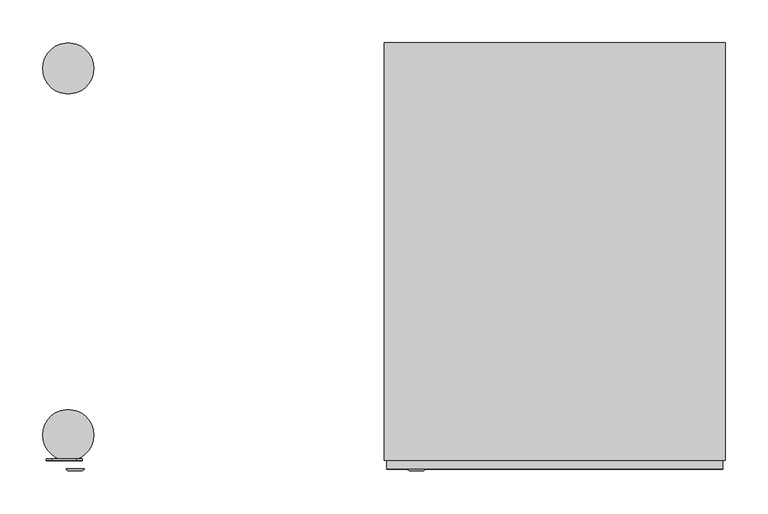
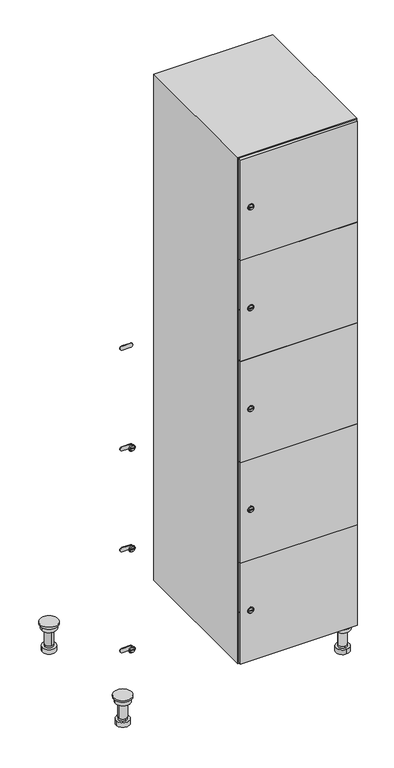
"""IFC4 building model written with IfcOpenShell, lengths in millimetres: furniture geometry."""

from ifc_helpers import new_model, si_unit, point, frame, frame_2d, origin, place, context, project, spatial, polyline, circle_curve, trimmed, segment, composite_curve, outline, extrude, faceted_brep, source, transform, mapped, element, save
from ifc_brep_helpers import plane_surface, cylinder_surface, revolved_surface, advanced_brep


def furniture_e8f56e11(model_context):
    return source(origin(), model_context, "Body", "SolidModel", [
        advanced_brep(
        [(570.0, -201.0, 22.0), (570.0, -201.5, 16.0), (570.0, -228.5, 16.0), (570.0, -229.0, 22.0), (556.0, -215.0, 22.0), (584.0, -215.0, 22.0), (570.0, -192.5, 16.0), (570.0, -237.5, 16.0), (570.0, -192.5, 0.0), (570.0, -237.5, 0.0), (584.0, -215.0, 78.0), (556.0, -215.0, 78.0), (595.0, -215.0, 78.0), (545.0, -215.0, 78.0), (600.0, -215.0, 94.0), (540.0, -215.0, 94.0), (545.0, -215.0, 94.0), (595.0, -215.0, 94.0), (600.0, -215.0, 100.0), (540.0, -215.0, 100.0)],
        [
            (0, 1),
            (1, 2, circle_curve(frame((570.0, -215.0, 16.0), z_axis=(0.0, 0.0, 1.0), x_axis=(0.0, -1.0, 0.0)), 13.5)),
            (2, 3),
            (3, 4, circle_curve(frame((570.0, -215.0, 22.0), z_axis=(0.0, 0.0, -1.0), x_axis=(0.0, -1.0, 0.0)), 14.0)),
            (4, 0, circle_curve(frame((570.0, -215.0, 22.0), z_axis=(0.0, 0.0, -1.0), x_axis=(0.0, -1.0, 0.0)), 14.0)),
            (0, 5, circle_curve(frame((570.0, -215.0, 22.0), z_axis=(0.0, 0.0, -1.0), x_axis=(0.0, 1.0, 0.0)), 14.0)),
            (5, 3, circle_curve(frame((570.0, -215.0, 22.0), z_axis=(0.0, 0.0, -1.0), x_axis=(0.0, 1.0, 0.0)), 14.0)),
            (2, 1, circle_curve(frame((570.0, -215.0, 16.0), z_axis=(0.0, 0.0, 1.0), x_axis=(0.0, 1.0, 0.0)), 13.5)),
            (6, 7, circle_curve(frame((570.0, -215.0, 16.0), z_axis=(0.0, 0.0, 1.0), x_axis=(0.0, -1.0, 0.0)), 22.5)),
            (7, 6, circle_curve(frame((570.0, -215.0, 16.0), z_axis=(0.0, 0.0, 1.0), x_axis=(0.0, -1.0, 0.0)), 22.5)),
            (8, 9, circle_curve(frame((570.0, -215.0, 0.0), z_axis=(0.0, 0.0, -1.0), x_axis=(0.0, -1.0, 0.0)), 22.5)),
            (9, 8, circle_curve(frame((570.0, -215.0, 0.0), z_axis=(0.0, 0.0, -1.0), x_axis=(0.0, -1.0, 0.0)), 22.5)),
            (6, 8),
            (9, 7),
            (5, 10),
            (10, 11, circle_curve(frame((570.0, -215.0, 78.0), z_axis=(0.0, 0.0, -1.0), x_axis=(-1.0, 0.0, 0.0)), 14.0)),
            (11, 4),
            (11, 10, circle_curve(frame((570.0, -215.0, 78.0), z_axis=(0.0, 0.0, -1.0), x_axis=(-1.0, 0.0, 0.0)), 14.0)),
            (12, 13, circle_curve(frame((570.0, -215.0, 78.0), z_axis=(0.0, 0.0, -1.0), x_axis=(-1.0, 0.0, 0.0)), 25.0)),
            (13, 12, circle_curve(frame((570.0, -215.0, 78.0), z_axis=(0.0, 0.0, -1.0), x_axis=(-1.0, 0.0, 0.0)), 25.0)),
            (14, 15, circle_curve(frame((570.0, -215.0, 94.0), z_axis=(0.0, 0.0, -1.0), x_axis=(-1.0, 0.0, 0.0)), 30.0)),
            (15, 14, circle_curve(frame((570.0, -215.0, 94.0), z_axis=(0.0, 0.0, -1.0), x_axis=(-1.0, 0.0, 0.0)), 30.0)),
            (16, 17, circle_curve(frame((570.0, -215.0, 94.0), z_axis=(0.0, 0.0, 1.0), x_axis=(-1.0, 0.0, 0.0)), 25.0)),
            (17, 16, circle_curve(frame((570.0, -215.0, 94.0), z_axis=(0.0, 0.0, 1.0), x_axis=(-1.0, 0.0, 0.0)), 25.0)),
            (18, 19, circle_curve(frame((570.0, -215.0, 100.0), z_axis=(0.0, 0.0, 1.0), x_axis=(-1.0, 0.0, 0.0)), 30.0)),
            (19, 18, circle_curve(frame((570.0, -215.0, 100.0), z_axis=(0.0, 0.0, 1.0), x_axis=(-1.0, 0.0, 0.0)), 30.0)),
            (14, 18),
            (19, 15),
            (12, 17),
            (16, 13),
        ],
        [
            revolved_surface(polyline([(570.0, -201.5, 16.0), (570.0, -201.0, 22.0)]), (570.0, -215.0, -146.0), (0.0, 0.0, 1.0)),
            plane_surface(frame((570.0, 0.0, 16.0), z_axis=(0.0, 0.0, 1.0), x_axis=(0.0, -1.0, 0.0))),
            plane_surface(frame((570.0, 0.0, 0.0), z_axis=(0.0, 0.0, -1.0), x_axis=(0.0, -1.0, 0.0))),
            cylinder_surface(frame((570.0, -215.0, 16.0), z_axis=(0.0, 0.0, 1.0), x_axis=(0.0, -1.0, 0.0)), 22.5),
            cylinder_surface(frame((570.0, -215.0, 22.0), z_axis=(0.0, 0.0, -1.0), x_axis=(-1.0, 0.0, 0.0)), 14.0),
            plane_surface(frame((570.0, 0.0, 78.0), z_axis=(0.0, 0.0, -1.0), x_axis=(0.0, -1.0, 0.0))),
            plane_surface(frame((570.0, 0.0, 94.0), z_axis=(0.0, 0.0, -1.0), x_axis=(0.0, -1.0, 0.0))),
            plane_surface(frame((570.0, 0.0, 100.0), z_axis=(0.0, 0.0, 1.0), x_axis=(0.0, -1.0, 0.0))),
            cylinder_surface(frame((570.0, -215.0, 94.0), z_axis=(0.0, 0.0, -1.0), x_axis=(-1.0, 0.0, 0.0)), 30.0),
            cylinder_surface(frame((570.0, -215.0, 78.0), z_axis=(0.0, 0.0, -1.0), x_axis=(-1.0, 0.0, 0.0)), 25.0),
        ],
        [
            (0, [[1, 2, 3, 4, 5]]),
            (0, [[-1, 6, 7, -3, 8]]),
            (1, [[9, 10], [-2, -8]]),
            (2, [[11, 12]]),
            (3, [[-9, 13, -12, 14]]),
            (3, [[-10, -14, -11, -13]]),
            (4, [[15, 16, 17, -4, -7]]),
            (4, [[-15, -6, -5, -17, 18]]),
            (5, [[19, 20], [-16, -18]]),
            (6, [[21, 22], [23, 24]]),
            (7, [[25, 26]]),
            (8, [[-21, 27, -26, 28]]),
            (8, [[-22, -28, -25, -27]]),
            (9, [[-19, 29, -23, 30]]),
            (9, [[-20, -30, -24, -29]]),
        ],
    ),
        advanced_brep(
        [(-170.0, -201.0, 22.0), (-170.0, -201.5, 16.0), (-170.0, -228.5, 16.0), (-170.0, -229.0, 22.0), (-184.0, -215.0, 22.0), (-156.0, -215.0, 22.0), (-147.5, -215.0, 0.0), (-192.5, -215.0, 0.0), (-147.5, -215.0, 16.0), (-192.5, -215.0, 16.0), (-156.0, -215.0, 78.0), (-184.0, -215.0, 78.0), (-145.0, -215.0, 78.0), (-195.0, -215.0, 78.0), (-140.0, -215.0, 94.0), (-200.0, -215.0, 94.0), (-195.0, -215.0, 94.0), (-145.0, -215.0, 94.0), (-140.0, -215.0, 100.0), (-200.0, -215.0, 100.0)],
        [
            (0, 1),
            (1, 2, circle_curve(frame((-170.0, -215.0, 16.0), z_axis=(0.0, 0.0, 1.0), x_axis=(0.0, -1.0, 0.0)), 13.5)),
            (2, 3),
            (3, 4, circle_curve(frame((-170.0, -215.0, 22.0), z_axis=(0.0, 0.0, -1.0), x_axis=(0.0, -1.0, 0.0)), 14.0)),
            (4, 0, circle_curve(frame((-170.0, -215.0, 22.0), z_axis=(0.0, 0.0, -1.0), x_axis=(0.0, -1.0, 0.0)), 14.0)),
            (0, 5, circle_curve(frame((-170.0, -215.0, 22.0), z_axis=(0.0, 0.0, -1.0), x_axis=(0.0, 1.0, 0.0)), 14.0)),
            (5, 3, circle_curve(frame((-170.0, -215.0, 22.0), z_axis=(0.0, 0.0, -1.0), x_axis=(0.0, 1.0, 0.0)), 14.0)),
            (2, 1, circle_curve(frame((-170.0, -215.0, 16.0), z_axis=(0.0, 0.0, 1.0), x_axis=(0.0, 1.0, 0.0)), 13.5)),
            (6, 7, circle_curve(frame((-170.0, -215.0, 0.0), z_axis=(0.0, 0.0, -1.0), x_axis=(-1.0, 0.0, 0.0)), 22.5)),
            (7, 6, circle_curve(frame((-170.0, -215.0, 0.0), z_axis=(0.0, 0.0, -1.0), x_axis=(-1.0, 0.0, 0.0)), 22.5)),
            (8, 9, circle_curve(frame((-170.0, -215.0, 16.0), z_axis=(0.0, 0.0, 1.0), x_axis=(-1.0, 0.0, 0.0)), 22.5)),
            (9, 8, circle_curve(frame((-170.0, -215.0, 16.0), z_axis=(0.0, 0.0, 1.0), x_axis=(-1.0, 0.0, 0.0)), 22.5)),
            (6, 8),
            (9, 7),
            (5, 10),
            (10, 11, circle_curve(frame((-170.0, -215.0, 78.0), z_axis=(0.0, 0.0, -1.0), x_axis=(-1.0, 0.0, 0.0)), 14.0)),
            (11, 4),
            (11, 10, circle_curve(frame((-170.0, -215.0, 78.0), z_axis=(0.0, 0.0, -1.0), x_axis=(-1.0, 0.0, 0.0)), 14.0)),
            (12, 13, circle_curve(frame((-170.0, -215.0, 78.0), z_axis=(0.0, 0.0, -1.0), x_axis=(-1.0, 0.0, 0.0)), 25.0)),
            (13, 12, circle_curve(frame((-170.0, -215.0, 78.0), z_axis=(0.0, 0.0, -1.0), x_axis=(-1.0, 0.0, 0.0)), 25.0)),
            (14, 15, circle_curve(frame((-170.0, -215.0, 94.0), z_axis=(0.0, 0.0, -1.0), x_axis=(-1.0, 0.0, 0.0)), 30.0)),
            (15, 14, circle_curve(frame((-170.0, -215.0, 94.0), z_axis=(0.0, 0.0, -1.0), x_axis=(-1.0, 0.0, 0.0)), 30.0)),
            (16, 17, circle_curve(frame((-170.0, -215.0, 94.0), z_axis=(0.0, 0.0, 1.0), x_axis=(-1.0, 0.0, 0.0)), 25.0)),
            (17, 16, circle_curve(frame((-170.0, -215.0, 94.0), z_axis=(0.0, 0.0, 1.0), x_axis=(-1.0, 0.0, 0.0)), 25.0)),
            (18, 19, circle_curve(frame((-170.0, -215.0, 100.0), z_axis=(0.0, 0.0, 1.0), x_axis=(-1.0, 0.0, 0.0)), 30.0)),
            (19, 18, circle_curve(frame((-170.0, -215.0, 100.0), z_axis=(0.0, 0.0, 1.0), x_axis=(-1.0, 0.0, 0.0)), 30.0)),
            (14, 18),
            (19, 15),
            (12, 17),
            (16, 13),
        ],
        [
            revolved_surface(polyline([(-170.0, -201.5, 16.0), (-170.0, -201.0, 22.0)]), (-170.0, -215.0, -146.0), (0.0, 0.0, 1.0)),
            plane_surface(frame((-170.0, 0.0, 0.0), z_axis=(0.0, 0.0, -1.0), x_axis=(0.0, -1.0, 0.0))),
            plane_surface(frame((-170.0, 0.0, 16.0), z_axis=(0.0, 0.0, 1.0), x_axis=(0.0, -1.0, 0.0))),
            cylinder_surface(frame((-170.0, -215.0, 0.0), z_axis=(0.0, 0.0, -1.0), x_axis=(-1.0, 0.0, 0.0)), 22.5),
            cylinder_surface(frame((-170.0, -215.0, 22.0), z_axis=(0.0, 0.0, -1.0), x_axis=(-1.0, 0.0, 0.0)), 14.0),
            plane_surface(frame((-170.0, 0.0, 78.0), z_axis=(0.0, 0.0, -1.0), x_axis=(0.0, -1.0, 0.0))),
            plane_surface(frame((-170.0, 0.0, 94.0), z_axis=(0.0, 0.0, -1.0), x_axis=(0.0, -1.0, 0.0))),
            plane_surface(frame((-170.0, 0.0, 100.0), z_axis=(0.0, 0.0, 1.0), x_axis=(0.0, -1.0, 0.0))),
            cylinder_surface(frame((-170.0, -215.0, 94.0), z_axis=(0.0, 0.0, -1.0), x_axis=(-1.0, 0.0, 0.0)), 30.0),
            cylinder_surface(frame((-170.0, -215.0, 78.0), z_axis=(0.0, 0.0, -1.0), x_axis=(-1.0, 0.0, 0.0)), 25.0),
        ],
        [
            (0, [[1, 2, 3, 4, 5]]),
            (0, [[-1, 6, 7, -3, 8]]),
            (1, [[9, 10]]),
            (2, [[11, 12], [-2, -8]]),
            (3, [[-9, 13, -12, 14]]),
            (3, [[-10, -14, -11, -13]]),
            (4, [[15, 16, 17, -4, -7]]),
            (4, [[-15, -6, -5, -17, 18]]),
            (5, [[19, 20], [-16, -18]]),
            (6, [[21, 22], [23, 24]]),
            (7, [[25, 26]]),
            (8, [[-21, 27, -26, 28]]),
            (8, [[-22, -28, -25, -27]]),
            (9, [[-19, 29, -23, 30]]),
            (9, [[-20, -30, -24, -29]]),
        ],
    ),
        advanced_brep(
        [(583.5, 215.0, 16.0), (584.0, 215.0, 22.0), (556.0, 215.0, 22.0), (556.5, 215.0, 16.0), (592.5, 215.0, 0.0), (547.5, 215.0, 0.0), (592.5, 215.0, 16.0), (547.5, 215.0, 16.0), (584.0, 215.0, 78.0), (556.0, 215.0, 78.0), (595.0, 215.0, 78.0), (545.0, 215.0, 78.0), (600.0, 215.0, 94.0), (540.0, 215.0, 94.0), (545.0, 215.0, 94.0), (595.0, 215.0, 94.0), (600.0, 215.0, 100.0), (540.0, 215.0, 100.0)],
        [
            (0, 1),
            (1, 2, circle_curve(frame((570.0, 215.0, 22.0), z_axis=(0.0, 0.0, -1.0), x_axis=(-1.0, 0.0, 0.0)), 14.0)),
            (2, 3),
            (3, 0, circle_curve(frame((570.0, 215.0, 16.0), z_axis=(0.0, 0.0, 1.0), x_axis=(-1.0, 0.0, 0.0)), 13.5)),
            (0, 3, circle_curve(frame((570.0, 215.0, 16.0), z_axis=(0.0, 0.0, 1.0), x_axis=(1.0, 0.0, 0.0)), 13.5)),
            (2, 1, circle_curve(frame((570.0, 215.0, 22.0), z_axis=(0.0, 0.0, -1.0), x_axis=(1.0, 0.0, 0.0)), 14.0)),
            (4, 5, circle_curve(frame((570.0, 215.0, 0.0), z_axis=(0.0, 0.0, -1.0), x_axis=(-1.0, 0.0, 0.0)), 22.5)),
            (5, 4, circle_curve(frame((570.0, 215.0, 0.0), z_axis=(0.0, 0.0, -1.0), x_axis=(-1.0, 0.0, 0.0)), 22.5)),
            (6, 7, circle_curve(frame((570.0, 215.0, 16.0), z_axis=(0.0, 0.0, 1.0), x_axis=(-1.0, 0.0, 0.0)), 22.5)),
            (7, 6, circle_curve(frame((570.0, 215.0, 16.0), z_axis=(0.0, 0.0, 1.0), x_axis=(-1.0, 0.0, 0.0)), 22.5)),
            (4, 6),
            (7, 5),
            (1, 8),
            (8, 9, circle_curve(frame((570.0, 215.0, 78.0), z_axis=(0.0, 0.0, -1.0), x_axis=(-1.0, 0.0, 0.0)), 14.0)),
            (9, 2),
            (9, 8, circle_curve(frame((570.0, 215.0, 78.0), z_axis=(0.0, 0.0, -1.0), x_axis=(-1.0, 0.0, 0.0)), 14.0)),
            (10, 11, circle_curve(frame((570.0, 215.0, 78.0), z_axis=(0.0, 0.0, -1.0), x_axis=(-1.0, 0.0, 0.0)), 25.0)),
            (11, 10, circle_curve(frame((570.0, 215.0, 78.0), z_axis=(0.0, 0.0, -1.0), x_axis=(-1.0, 0.0, 0.0)), 25.0)),
            (12, 13, circle_curve(frame((570.0, 215.0, 94.0), z_axis=(0.0, 0.0, -1.0), x_axis=(-1.0, 0.0, 0.0)), 30.0)),
            (13, 12, circle_curve(frame((570.0, 215.0, 94.0), z_axis=(0.0, 0.0, -1.0), x_axis=(-1.0, 0.0, 0.0)), 30.0)),
            (14, 15, circle_curve(frame((570.0, 215.0, 94.0), z_axis=(0.0, 0.0, 1.0), x_axis=(-1.0, 0.0, 0.0)), 25.0)),
            (15, 14, circle_curve(frame((570.0, 215.0, 94.0), z_axis=(0.0, 0.0, 1.0), x_axis=(-1.0, 0.0, 0.0)), 25.0)),
            (16, 17, circle_curve(frame((570.0, 215.0, 100.0), z_axis=(0.0, 0.0, 1.0), x_axis=(-1.0, 0.0, 0.0)), 30.0)),
            (17, 16, circle_curve(frame((570.0, 215.0, 100.0), z_axis=(0.0, 0.0, 1.0), x_axis=(-1.0, 0.0, 0.0)), 30.0)),
            (12, 16),
            (17, 13),
            (10, 15),
            (14, 11),
        ],
        [
            revolved_surface(polyline([(583.5, 215.0, 16.0), (584.0, 215.0, 22.0)]), (570.0, 215.0, -146.0), (0.0, 0.0, 1.0)),
            plane_surface(frame((570.0, 0.0, 0.0), z_axis=(0.0, 0.0, -1.0), x_axis=(0.0, -1.0, 0.0))),
            plane_surface(frame((570.0, 0.0, 16.0), z_axis=(0.0, 0.0, 1.0), x_axis=(0.0, -1.0, 0.0))),
            cylinder_surface(frame((570.0, 215.0, 0.0), z_axis=(0.0, 0.0, -1.0), x_axis=(-1.0, 0.0, 0.0)), 22.5),
            cylinder_surface(frame((570.0, 215.0, 22.0), z_axis=(0.0, 0.0, -1.0), x_axis=(-1.0, 0.0, 0.0)), 14.0),
            plane_surface(frame((570.0, 0.0, 78.0), z_axis=(0.0, 0.0, -1.0), x_axis=(0.0, -1.0, 0.0))),
            plane_surface(frame((570.0, 0.0, 94.0), z_axis=(0.0, 0.0, -1.0), x_axis=(0.0, -1.0, 0.0))),
            plane_surface(frame((570.0, 0.0, 100.0), z_axis=(0.0, 0.0, 1.0), x_axis=(0.0, -1.0, 0.0))),
            cylinder_surface(frame((570.0, 215.0, 94.0), z_axis=(0.0, 0.0, -1.0), x_axis=(-1.0, 0.0, 0.0)), 30.0),
            cylinder_surface(frame((570.0, 215.0, 78.0), z_axis=(0.0, 0.0, -1.0), x_axis=(-1.0, 0.0, 0.0)), 25.0),
        ],
        [
            (0, [[1, 2, 3, 4]]),
            (0, [[-1, 5, -3, 6]]),
            (1, [[7, 8]]),
            (2, [[9, 10], [-4, -5]]),
            (3, [[-7, 11, -10, 12]]),
            (3, [[-8, -12, -9, -11]]),
            (4, [[13, 14, 15, -2]]),
            (4, [[-13, -6, -15, 16]]),
            (5, [[17, 18], [-14, -16]]),
            (6, [[19, 20], [21, 22]]),
            (7, [[23, 24]]),
            (8, [[-19, 25, -24, 26]]),
            (8, [[-20, -26, -23, -25]]),
            (9, [[-17, 27, -21, 28]]),
            (9, [[-18, -28, -22, -27]]),
        ],
    ),
        advanced_brep(
        [(-156.5, 215.0, 16.0), (-156.0, 215.0, 22.0), (-170.0, 201.0, 22.0), (-184.0, 215.0, 22.0), (-183.5, 215.0, 16.0), (-170.0, 229.0, 22.0), (-147.5, 215.0, 0.0), (-192.5, 215.0, 0.0), (-147.5, 215.0, 16.0), (-192.5, 215.0, 16.0), (-170.0, 229.0, 78.0), (-170.0, 201.0, 78.0), (-145.0, 215.0, 78.0), (-195.0, 215.0, 78.0), (-140.0, 215.0, 94.0), (-200.0, 215.0, 94.0), (-195.0, 215.0, 94.0), (-145.0, 215.0, 94.0), (-140.0, 215.0, 100.0), (-200.0, 215.0, 100.0)],
        [
            (0, 1),
            (1, 2, circle_curve(frame((-170.0, 215.0, 22.0), z_axis=(0.0, 0.0, -1.0), x_axis=(-1.0, 0.0, 0.0)), 14.0)),
            (2, 3, circle_curve(frame((-170.0, 215.0, 22.0), z_axis=(0.0, 0.0, -1.0), x_axis=(-1.0, 0.0, 0.0)), 14.0)),
            (3, 4),
            (4, 0, circle_curve(frame((-170.0, 215.0, 16.0), z_axis=(0.0, 0.0, 1.0), x_axis=(-1.0, 0.0, 0.0)), 13.5)),
            (0, 4, circle_curve(frame((-170.0, 215.0, 16.0), z_axis=(0.0, 0.0, 1.0), x_axis=(1.0, 0.0, 0.0)), 13.5)),
            (3, 5, circle_curve(frame((-170.0, 215.0, 22.0), z_axis=(0.0, 0.0, -1.0), x_axis=(1.0, 0.0, 0.0)), 14.0)),
            (5, 1, circle_curve(frame((-170.0, 215.0, 22.0), z_axis=(0.0, 0.0, -1.0), x_axis=(1.0, 0.0, 0.0)), 14.0)),
            (6, 7, circle_curve(frame((-170.0, 215.0, 0.0), z_axis=(0.0, 0.0, -1.0), x_axis=(-1.0, 0.0, 0.0)), 22.5)),
            (7, 6, circle_curve(frame((-170.0, 215.0, 0.0), z_axis=(0.0, 0.0, -1.0), x_axis=(-1.0, 0.0, 0.0)), 22.5)),
            (8, 9, circle_curve(frame((-170.0, 215.0, 16.0), z_axis=(0.0, 0.0, 1.0), x_axis=(-1.0, 0.0, 0.0)), 22.5)),
            (9, 8, circle_curve(frame((-170.0, 215.0, 16.0), z_axis=(0.0, 0.0, 1.0), x_axis=(-1.0, 0.0, 0.0)), 22.5)),
            (6, 8),
            (9, 7),
            (10, 5),
            (2, 11),
            (11, 10, circle_curve(frame((-170.0, 215.0, 78.0), z_axis=(0.0, 0.0, -1.0), x_axis=(0.0, -1.0, 0.0)), 14.0)),
            (10, 11, circle_curve(frame((-170.0, 215.0, 78.0), z_axis=(0.0, 0.0, -1.0), x_axis=(0.0, -1.0, 0.0)), 14.0)),
            (12, 13, circle_curve(frame((-170.0, 215.0, 78.0), z_axis=(0.0, 0.0, -1.0), x_axis=(-1.0, 0.0, 0.0)), 25.0)),
            (13, 12, circle_curve(frame((-170.0, 215.0, 78.0), z_axis=(0.0, 0.0, -1.0), x_axis=(-1.0, 0.0, 0.0)), 25.0)),
            (14, 15, circle_curve(frame((-170.0, 215.0, 94.0), z_axis=(0.0, 0.0, -1.0), x_axis=(-1.0, 0.0, 0.0)), 30.0)),
            (15, 14, circle_curve(frame((-170.0, 215.0, 94.0), z_axis=(0.0, 0.0, -1.0), x_axis=(-1.0, 0.0, 0.0)), 30.0)),
            (16, 17, circle_curve(frame((-170.0, 215.0, 94.0), z_axis=(0.0, 0.0, 1.0), x_axis=(-1.0, 0.0, 0.0)), 25.0)),
            (17, 16, circle_curve(frame((-170.0, 215.0, 94.0), z_axis=(0.0, 0.0, 1.0), x_axis=(-1.0, 0.0, 0.0)), 25.0)),
            (18, 19, circle_curve(frame((-170.0, 215.0, 100.0), z_axis=(0.0, 0.0, 1.0), x_axis=(-1.0, 0.0, 0.0)), 30.0)),
            (19, 18, circle_curve(frame((-170.0, 215.0, 100.0), z_axis=(0.0, 0.0, 1.0), x_axis=(-1.0, 0.0, 0.0)), 30.0)),
            (14, 18),
            (19, 15),
            (12, 17),
            (16, 13),
        ],
        [
            revolved_surface(polyline([(-156.5, 215.0, 16.0), (-156.0, 215.0, 22.0)]), (-170.0, 215.0, -146.0), (0.0, 0.0, 1.0)),
            plane_surface(frame((-170.0, 0.0, 0.0), z_axis=(0.0, 0.0, -1.0), x_axis=(0.0, -1.0, 0.0))),
            plane_surface(frame((-170.0, 0.0, 16.0), z_axis=(0.0, 0.0, 1.0), x_axis=(0.0, -1.0, 0.0))),
            cylinder_surface(frame((-170.0, 215.0, 0.0), z_axis=(0.0, 0.0, -1.0), x_axis=(-1.0, 0.0, 0.0)), 22.5),
            cylinder_surface(frame((-170.0, 215.0, 78.0), z_axis=(0.0, 0.0, 1.0), x_axis=(0.0, -1.0, 0.0)), 14.0),
            plane_surface(frame((-170.0, 0.0, 78.0), z_axis=(0.0, 0.0, -1.0), x_axis=(0.0, -1.0, 0.0))),
            plane_surface(frame((-170.0, 0.0, 94.0), z_axis=(0.0, 0.0, -1.0), x_axis=(0.0, -1.0, 0.0))),
            plane_surface(frame((-170.0, 0.0, 100.0), z_axis=(0.0, 0.0, 1.0), x_axis=(0.0, -1.0, 0.0))),
            cylinder_surface(frame((-170.0, 215.0, 94.0), z_axis=(0.0, 0.0, -1.0), x_axis=(-1.0, 0.0, 0.0)), 30.0),
            cylinder_surface(frame((-170.0, 215.0, 78.0), z_axis=(0.0, 0.0, -1.0), x_axis=(-1.0, 0.0, 0.0)), 25.0),
        ],
        [
            (0, [[1, 2, 3, 4, 5]]),
            (0, [[-1, 6, -4, 7, 8]]),
            (1, [[9, 10]]),
            (2, [[11, 12], [-5, -6]]),
            (3, [[-9, 13, -12, 14]]),
            (3, [[-10, -14, -11, -13]]),
            (4, [[15, -7, -3, 16, 17]]),
            (4, [[-15, 18, -16, -2, -8]]),
            (5, [[19, 20], [-17, -18]]),
            (6, [[21, 22], [23, 24]]),
            (7, [[25, 26]]),
            (8, [[-21, 27, -26, 28]]),
            (8, [[-22, -28, -25, -27]]),
            (9, [[-19, 29, -23, 30]]),
            (9, [[-20, -30, -24, -29]]),
        ],
    ),
        extrude(outline(composite_curve([segment(trimmed(circle_curve(frame_2d((282.4, 211.2010534)), 7.0), [point((289.4, 211.2010534))], [point((275.4, 211.2010534))], False, "CARTESIAN"), True, "CONTINUOUS"), segment(polyline([(275.4, 211.2010534), (275.4, 239.2010534)]), True, "CONTINUOUS"), segment(trimmed(circle_curve(frame_2d((282.4, 239.2010534)), 7.0), [point((275.4, 239.2010534))], [point((289.4, 239.2010534))], False, "CARTESIAN"), True, "CONTINUOUS"), segment(polyline([(289.4, 239.2010534), (289.4, 211.2010534)]), True, "CONTINUOUS")], self_intersect=False)), frame((0.0, -245.0, 0.0), z_axis=(0.0, 1.0, 0.0), x_axis=(0.0, 0.0, 1.0)), (0.0, 0.0, 1.0), 2.0),
        advanced_brep(
        [(246.5, -257.2, 282.4), (229.5, -257.2, 282.4), (233.0, -257.2, 281.15), (233.0, -257.2, 283.65), (243.0, -257.2, 283.65), (243.0, -257.2, 281.15), (248.5, -255.0, 282.4), (227.5, -255.0, 282.4), (233.0, -255.0, 283.65), (233.0, -255.0, 281.15), (243.0, -255.0, 281.15), (243.0, -255.0, 283.65)],
        [
            (0, 1, circle_curve(frame((238.0, -257.2, 282.4), z_axis=(0.0, -1.0, 0.0), x_axis=(1.0, 0.0, 0.0)), 8.5)),
            (1, 0, circle_curve(frame((238.0, -257.2, 282.4), z_axis=(0.0, -1.0, 0.0), x_axis=(-1.0, 0.0, 0.0)), 8.5)),
            (2, 3),
            (3, 4),
            (4, 5),
            (5, 2),
            (6, 7, circle_curve(frame((238.0, -255.0, 282.4), z_axis=(0.0, 1.0, 0.0), x_axis=(-1.0, 0.0, 0.0)), 10.5)),
            (7, 6, circle_curve(frame((238.0, -255.0, 282.4), z_axis=(0.0, 1.0, 0.0), x_axis=(1.0, 0.0, 0.0)), 10.5)),
            (8, 9),
            (9, 10),
            (10, 11),
            (11, 8),
            (0, 6),
            (7, 1),
            (8, 3),
            (2, 9),
            (11, 4),
            (10, 5),
        ],
        [
            plane_surface(frame((238.0, -257.2, 282.4), z_axis=(0.0, -1.0, 0.0), x_axis=(0.0, 0.0, 1.0))),
            plane_surface(frame((238.0, -255.0, 282.4), z_axis=(0.0, 1.0, 0.0), x_axis=(0.0, 0.0, 1.0))),
            revolved_surface(polyline([(246.5, -257.2, 282.4), (248.5, -255.0, 282.4)]), (238.0, -266.55, 282.4), (0.0, 1.0, 0.0)),
            revolved_surface(polyline([(229.5, -257.2, 282.4), (227.5, -255.0, 282.4)]), (238.0, -266.55, 282.4), (0.0, 1.0, 0.0)),
            plane_surface(frame((233.0, -255.0, 281.15), z_axis=(1.0, 0.0, 0.0), x_axis=(0.0, -1.0, 0.0))),
            plane_surface(frame((233.0, -255.0, 283.65), z_axis=(0.0, 0.0, -1.0), x_axis=(0.0, -1.0, 0.0))),
            plane_surface(frame((243.0, -255.0, 283.65), z_axis=(-1.0, 0.0, 0.0), x_axis=(0.0, -1.0, 0.0))),
            plane_surface(frame((243.0, -255.0, 281.15), z_axis=(0.0, 0.0, 1.0), x_axis=(0.0, -1.0, 0.0))),
        ],
        [
            (0, [[1, 2], [3, 4, 5, 6]]),
            (1, [[7, 8], [9, 10, 11, 12]]),
            (2, [[-1, 13, -8, 14]]),
            (3, [[-2, -14, -7, -13]]),
            (4, [[15, -3, 16, -9]]),
            (5, [[-15, -12, 17, -4]]),
            (6, [[-17, -11, 18, -5]]),
            (7, [[-16, -6, -18, -10]]),
        ],
    ),
        extrude(outline(composite_curve([segment(trimmed(circle_curve(frame_2d((641.2, 211.2010534)), 7.0), [point((648.2, 211.2010534))], [point((634.2, 211.2010534))], False, "CARTESIAN"), True, "CONTINUOUS"), segment(polyline([(634.2, 211.2010534), (634.2, 239.2010534)]), True, "CONTINUOUS"), segment(trimmed(circle_curve(frame_2d((641.2, 239.2010534)), 7.0), [point((634.2, 239.2010534))], [point((648.2, 239.2010534))], False, "CARTESIAN"), True, "CONTINUOUS"), segment(polyline([(648.2, 239.2010534), (648.2, 211.2010534)]), True, "CONTINUOUS")], self_intersect=False)), frame((0.0, -245.0, 0.0), z_axis=(0.0, 1.0, 0.0), x_axis=(0.0, 0.0, 1.0)), (0.0, 0.0, 1.0), 2.0),
        advanced_brep(
        [(246.5, -257.2, 641.2), (229.5, -257.2, 641.2), (233.0, -257.2, 639.95), (233.0, -257.2, 642.45), (243.0, -257.2, 642.45), (243.0, -257.2, 639.95), (248.5, -255.0, 641.2), (227.5, -255.0, 641.2), (233.0, -255.0, 642.45), (233.0, -255.0, 639.95), (243.0, -255.0, 639.95), (243.0, -255.0, 642.45)],
        [
            (0, 1, circle_curve(frame((238.0, -257.2, 641.2), z_axis=(0.0, -1.0, 0.0), x_axis=(1.0, 0.0, 0.0)), 8.5)),
            (1, 0, circle_curve(frame((238.0, -257.2, 641.2), z_axis=(0.0, -1.0, 0.0), x_axis=(-1.0, 0.0, 0.0)), 8.5)),
            (2, 3),
            (3, 4),
            (4, 5),
            (5, 2),
            (6, 7, circle_curve(frame((238.0, -255.0, 641.2), z_axis=(0.0, 1.0, 0.0), x_axis=(-1.0, 0.0, 0.0)), 10.5)),
            (7, 6, circle_curve(frame((238.0, -255.0, 641.2), z_axis=(0.0, 1.0, 0.0), x_axis=(1.0, 0.0, 0.0)), 10.5)),
            (8, 9),
            (9, 10),
            (10, 11),
            (11, 8),
            (0, 6),
            (7, 1),
            (8, 3),
            (2, 9),
            (11, 4),
            (10, 5),
        ],
        [
            plane_surface(frame((238.0, -257.2, 641.2), z_axis=(0.0, -1.0, 0.0), x_axis=(0.0, 0.0, 1.0))),
            plane_surface(frame((238.0, -255.0, 641.2), z_axis=(0.0, 1.0, 0.0), x_axis=(0.0, 0.0, 1.0))),
            revolved_surface(polyline([(246.5, -257.2, 641.2), (248.5, -255.0, 641.2)]), (238.0, -266.55, 641.2), (0.0, 1.0, 0.0)),
            revolved_surface(polyline([(229.5, -257.2, 641.2), (227.5, -255.0, 641.2)]), (238.0, -266.55, 641.2), (0.0, 1.0, 0.0)),
            plane_surface(frame((233.0, -255.0, 639.95), z_axis=(1.0, 0.0, 0.0), x_axis=(0.0, -1.0, 0.0))),
            plane_surface(frame((233.0, -255.0, 642.45), z_axis=(0.0, 0.0, -1.0), x_axis=(0.0, -1.0, 0.0))),
            plane_surface(frame((243.0, -255.0, 642.45), z_axis=(-1.0, 0.0, 0.0), x_axis=(0.0, -1.0, 0.0))),
            plane_surface(frame((243.0, -255.0, 639.95), z_axis=(0.0, 0.0, 1.0), x_axis=(0.0, -1.0, 0.0))),
        ],
        [
            (0, [[1, 2], [3, 4, 5, 6]]),
            (1, [[7, 8], [9, 10, 11, 12]]),
            (2, [[-1, 13, -8, 14]]),
            (3, [[-2, -14, -7, -13]]),
            (4, [[15, -3, 16, -9]]),
            (5, [[-15, -12, 17, -4]]),
            (6, [[-17, -11, 18, -5]]),
            (7, [[-16, -6, -18, -10]]),
        ],
    ),
        extrude(outline(composite_curve([segment(trimmed(circle_curve(frame_2d((1000.0, 211.2010534)), 7.0), [point((1007.0, 211.2010534))], [point((993.0, 211.2010534))], False, "CARTESIAN"), True, "CONTINUOUS"), segment(polyline([(993.0, 211.2010534), (993.0, 239.2010534)]), True, "CONTINUOUS"), segment(trimmed(circle_curve(frame_2d((1000.0, 239.2010534)), 7.0), [point((993.0, 239.2010534))], [point((1007.0, 239.2010534))], False, "CARTESIAN"), True, "CONTINUOUS"), segment(polyline([(1007.0, 239.2010534), (1007.0, 211.2010534)]), True, "CONTINUOUS")], self_intersect=False)), frame((0.0, -245.0, 0.0), z_axis=(0.0, 1.0, 0.0), x_axis=(0.0, 0.0, 1.0)), (0.0, 0.0, 1.0), 2.0),
        advanced_brep(
        [(246.5, -257.2, 1000.0), (229.5, -257.2, 1000.0), (233.0, -257.2, 998.75), (233.0, -257.2, 1001.25), (243.0, -257.2, 1001.25), (243.0, -257.2, 998.75), (248.5, -255.0, 1000.0), (227.5, -255.0, 1000.0), (233.0, -255.0, 1001.25), (233.0, -255.0, 998.75), (243.0, -255.0, 998.75), (243.0, -255.0, 1001.25)],
        [
            (0, 1, circle_curve(frame((238.0, -257.2, 1000.0), z_axis=(0.0, -1.0, 0.0), x_axis=(1.0, 0.0, 0.0)), 8.5)),
            (1, 0, circle_curve(frame((238.0, -257.2, 1000.0), z_axis=(0.0, -1.0, 0.0), x_axis=(-1.0, 0.0, 0.0)), 8.5)),
            (2, 3),
            (3, 4),
            (4, 5),
            (5, 2),
            (6, 7, circle_curve(frame((238.0, -255.0, 1000.0), z_axis=(0.0, 1.0, 0.0), x_axis=(-1.0, 0.0, 0.0)), 10.5)),
            (7, 6, circle_curve(frame((238.0, -255.0, 1000.0), z_axis=(0.0, 1.0, 0.0), x_axis=(1.0, 0.0, 0.0)), 10.5)),
            (8, 9),
            (9, 10),
            (10, 11),
            (11, 8),
            (0, 6),
            (7, 1),
            (8, 3),
            (2, 9),
            (11, 4),
            (10, 5),
        ],
        [
            plane_surface(frame((238.0, -257.2, 1000.0), z_axis=(0.0, -1.0, 0.0), x_axis=(0.0, 0.0, 1.0))),
            plane_surface(frame((238.0, -255.0, 1000.0), z_axis=(0.0, 1.0, 0.0), x_axis=(0.0, 0.0, 1.0))),
            revolved_surface(polyline([(246.5, -257.2, 1000.0), (248.5, -255.0, 1000.0)]), (238.0, -266.55, 1000.0), (0.0, 1.0, 0.0)),
            revolved_surface(polyline([(229.5, -257.2, 1000.0), (227.5, -255.0, 1000.0)]), (238.0, -266.55, 1000.0), (0.0, 1.0, 0.0)),
            plane_surface(frame((233.0, -255.0, 998.75), z_axis=(1.0, 0.0, 0.0), x_axis=(0.0, -1.0, 0.0))),
            plane_surface(frame((233.0, -255.0, 1001.25), z_axis=(0.0, 0.0, -1.0), x_axis=(0.0, -1.0, 0.0))),
            plane_surface(frame((243.0, -255.0, 1001.25), z_axis=(-1.0, 0.0, 0.0), x_axis=(0.0, -1.0, 0.0))),
            plane_surface(frame((243.0, -255.0, 998.75), z_axis=(0.0, 0.0, 1.0), x_axis=(0.0, -1.0, 0.0))),
        ],
        [
            (0, [[1, 2], [3, 4, 5, 6]]),
            (1, [[7, 8], [9, 10, 11, 12]]),
            (2, [[-1, 13, -8, 14]]),
            (3, [[-2, -14, -7, -13]]),
            (4, [[15, -3, 16, -9]]),
            (5, [[-15, -12, 17, -4]]),
            (6, [[-17, -11, 18, -5]]),
            (7, [[-16, -6, -18, -10]]),
        ],
    ),
        extrude(outline(composite_curve([segment(trimmed(circle_curve(frame_2d((1358.8, 211.2010534)), 7.0), [point((1365.8, 211.2010534))], [point((1351.8, 211.2010534))], False, "CARTESIAN"), True, "CONTINUOUS"), segment(polyline([(1351.8, 211.2010534), (1351.8, 239.2010534)]), True, "CONTINUOUS"), segment(trimmed(circle_curve(frame_2d((1358.8, 239.2010534)), 7.0), [point((1351.8, 239.2010534))], [point((1365.8, 239.2010534))], False, "CARTESIAN"), True, "CONTINUOUS"), segment(polyline([(1365.8, 239.2010534), (1365.8, 211.2010534)]), True, "CONTINUOUS")], self_intersect=False)), frame((0.0, -245.0, 0.0), z_axis=(0.0, 1.0, 0.0), x_axis=(0.0, 0.0, 1.0)), (0.0, 0.0, 1.0), 2.0),
        advanced_brep(
        [(246.5, -257.2, 1358.8), (229.5, -257.2, 1358.8), (233.0, -257.2, 1357.55), (233.0, -257.2, 1360.05), (243.0, -257.2, 1360.05), (243.0, -257.2, 1357.55), (248.5, -255.0, 1358.8), (227.5, -255.0, 1358.8), (233.0, -255.0, 1360.05), (233.0, -255.0, 1357.55), (243.0, -255.0, 1357.55), (243.0, -255.0, 1360.05)],
        [
            (0, 1, circle_curve(frame((238.0, -257.2, 1358.8), z_axis=(0.0, -1.0, 0.0), x_axis=(1.0, 0.0, 0.0)), 8.5)),
            (1, 0, circle_curve(frame((238.0, -257.2, 1358.8), z_axis=(0.0, -1.0, 0.0), x_axis=(-1.0, 0.0, 0.0)), 8.5)),
            (2, 3),
            (3, 4),
            (4, 5),
            (5, 2),
            (6, 7, circle_curve(frame((238.0, -255.0, 1358.8), z_axis=(0.0, 1.0, 0.0), x_axis=(-1.0, 0.0, 0.0)), 10.5)),
            (7, 6, circle_curve(frame((238.0, -255.0, 1358.8), z_axis=(0.0, 1.0, 0.0), x_axis=(1.0, 0.0, 0.0)), 10.5)),
            (8, 9),
            (9, 10),
            (10, 11),
            (11, 8),
            (0, 6),
            (7, 1),
            (8, 3),
            (2, 9),
            (11, 4),
            (10, 5),
        ],
        [
            plane_surface(frame((238.0, -257.2, 1358.8), z_axis=(0.0, -1.0, 0.0), x_axis=(0.0, 0.0, 1.0))),
            plane_surface(frame((238.0, -255.0, 1358.8), z_axis=(0.0, 1.0, 0.0), x_axis=(0.0, 0.0, 1.0))),
            revolved_surface(polyline([(246.5, -257.2, 1358.8), (248.5, -255.0, 1358.8)]), (238.0, -266.55, 1358.8), (0.0, 1.0, 0.0)),
            revolved_surface(polyline([(229.5, -257.2, 1358.8), (227.5, -255.0, 1358.8)]), (238.0, -266.55, 1358.8), (0.0, 1.0, 0.0)),
            plane_surface(frame((233.0, -255.0, 1357.55), z_axis=(1.0, 0.0, 0.0), x_axis=(0.0, -1.0, 0.0))),
            plane_surface(frame((233.0, -255.0, 1360.05), z_axis=(0.0, 0.0, -1.0), x_axis=(0.0, -1.0, 0.0))),
            plane_surface(frame((243.0, -255.0, 1360.05), z_axis=(-1.0, 0.0, 0.0), x_axis=(0.0, -1.0, 0.0))),
            plane_surface(frame((243.0, -255.0, 1357.55), z_axis=(0.0, 0.0, 1.0), x_axis=(0.0, -1.0, 0.0))),
        ],
        [
            (0, [[1, 2], [3, 4, 5, 6]]),
            (1, [[7, 8], [9, 10, 11, 12]]),
            (2, [[-1, 13, -8, 14]]),
            (3, [[-2, -14, -7, -13]]),
            (4, [[15, -3, 16, -9]]),
            (5, [[-15, -12, 17, -4]]),
            (6, [[-17, -11, 18, -5]]),
            (7, [[-16, -6, -18, -10]]),
        ],
    ),
        extrude(outline(composite_curve([segment(trimmed(circle_curve(frame_2d((1717.6, 211.2010534)), 7.0), [point((1724.6, 211.2010534))], [point((1710.6, 211.2010534))], False, "CARTESIAN"), True, "CONTINUOUS"), segment(polyline([(1710.6, 211.2010534), (1710.6, 239.2010534)]), True, "CONTINUOUS"), segment(trimmed(circle_curve(frame_2d((1717.6, 239.2010534)), 7.0), [point((1710.6, 239.2010534))], [point((1724.6, 239.2010534))], False, "CARTESIAN"), True, "CONTINUOUS"), segment(polyline([(1724.6, 239.2010534), (1724.6, 211.2010534)]), True, "CONTINUOUS")], self_intersect=False)), frame((0.0, -245.0, 0.0), z_axis=(0.0, 1.0, 0.0), x_axis=(0.0, 0.0, 1.0)), (0.0, 0.0, 1.0), 2.0),
        advanced_brep(
        [(246.5, -257.2, 1717.6), (229.5, -257.2, 1717.6), (233.0, -257.2, 1716.35), (233.0, -257.2, 1718.85), (243.0, -257.2, 1718.85), (243.0, -257.2, 1716.35), (248.5, -255.0, 1717.6), (227.5, -255.0, 1717.6), (233.0, -255.0, 1718.85), (233.0, -255.0, 1716.35), (243.0, -255.0, 1716.35), (243.0, -255.0, 1718.85)],
        [
            (0, 1, circle_curve(frame((238.0, -257.2, 1717.6), z_axis=(0.0, -1.0, 0.0), x_axis=(1.0, 0.0, 0.0)), 8.5)),
            (1, 0, circle_curve(frame((238.0, -257.2, 1717.6), z_axis=(0.0, -1.0, 0.0), x_axis=(-1.0, 0.0, 0.0)), 8.5)),
            (2, 3),
            (3, 4),
            (4, 5),
            (5, 2),
            (6, 7, circle_curve(frame((238.0, -255.0, 1717.6), z_axis=(0.0, 1.0, 0.0), x_axis=(-1.0, 0.0, 0.0)), 10.5)),
            (7, 6, circle_curve(frame((238.0, -255.0, 1717.6), z_axis=(0.0, 1.0, 0.0), x_axis=(1.0, 0.0, 0.0)), 10.5)),
            (8, 9),
            (9, 10),
            (10, 11),
            (11, 8),
            (0, 6),
            (7, 1),
            (8, 3),
            (2, 9),
            (11, 4),
            (10, 5),
        ],
        [
            plane_surface(frame((238.0, -257.2, 1717.6), z_axis=(0.0, -1.0, 0.0), x_axis=(0.0, 0.0, 1.0))),
            plane_surface(frame((238.0, -255.0, 1717.6), z_axis=(0.0, 1.0, 0.0), x_axis=(0.0, 0.0, 1.0))),
            revolved_surface(polyline([(246.5, -257.2, 1717.6), (248.5, -255.0, 1717.6)]), (238.0, -266.55, 1717.6), (0.0, 1.0, 0.0)),
            revolved_surface(polyline([(229.5, -257.2, 1717.6), (227.5, -255.0, 1717.6)]), (238.0, -266.55, 1717.6), (0.0, 1.0, 0.0)),
            plane_surface(frame((233.0, -255.0, 1716.35), z_axis=(1.0, 0.0, 0.0), x_axis=(0.0, -1.0, 0.0))),
            plane_surface(frame((233.0, -255.0, 1718.85), z_axis=(0.0, 0.0, -1.0), x_axis=(0.0, -1.0, 0.0))),
            plane_surface(frame((243.0, -255.0, 1718.85), z_axis=(-1.0, 0.0, 0.0), x_axis=(0.0, -1.0, 0.0))),
            plane_surface(frame((243.0, -255.0, 1716.35), z_axis=(0.0, 0.0, 1.0), x_axis=(0.0, -1.0, 0.0))),
        ],
        [
            (0, [[1, 2], [3, 4, 5, 6]]),
            (1, [[7, 8], [9, 10, 11, 12]]),
            (2, [[-1, 13, -8, 14]]),
            (3, [[-2, -14, -7, -13]]),
            (4, [[15, -3, 16, -9]]),
            (5, [[-15, -12, 17, -4]]),
            (6, [[-17, -11, 18, -5]]),
            (7, [[-16, -6, -18, -10]]),
        ],
    ),
        extrude(outline(polyline([(597.0, -245.0), (597.0, -255.0), (203.0, -255.0), (203.0, -245.0), (597.0, -245.0)])), frame((0.0, 0.0, 820.1), z_axis=(0.0, 0.0, 1.0), x_axis=(1.0, 0.0, 0.0)), (0.0, 0.0, 1.0), 359.8),
        extrude(outline(polyline([(597.0, -245.0), (597.0, -255.0), (203.0, -255.0), (203.0, -245.0), (597.0, -245.0)])), frame((0.0, 0.0, 461.3), z_axis=(0.0, 0.0, 1.0), x_axis=(1.0, 0.0, 0.0)), (0.0, 0.0, 1.0), 359.8),
        extrude(outline(polyline([(597.0, -245.0), (597.0, -255.0), (203.0, -255.0), (203.0, -245.0), (597.0, -245.0)])), frame((0.0, 0.0, 1178.9), z_axis=(0.0, 0.0, 1.0), x_axis=(1.0, 0.0, 0.0)), (0.0, 0.0, 1.0), 358.8),
        extrude(outline(polyline([(203.0, -255.0), (203.0, -245.0), (597.0, -245.0), (597.0, -255.0), (203.0, -255.0)])), frame((0.0, 0.0, 1538.7), z_axis=(0.0, 0.0, 1.0), x_axis=(1.0, 0.0, 0.0)), (0.0, 0.0, 1.0), 358.3),
        extrude(outline(polyline([(597.0, -245.0), (597.0, -255.0), (203.0, -255.0), (203.0, -245.0), (597.0, -245.0)])), frame((0.0, 0.0, 103.0), z_axis=(0.0, 0.0, 1.0), x_axis=(1.0, 0.0, 0.0)), (0.0, 0.0, 1.0), 359.3),
        extrude(outline(polyline([(590.0, 241.0), (590.0, -235.0), (210.0, -235.0), (210.0, 241.0), (590.0, 241.0)])), frame((0.0, 0.0, 1529.0), z_axis=(0.0, 0.0, 1.0), x_axis=(1.0, 0.0, 0.0)), (0.0, 0.0, 1.0), 10.0),
        extrude(outline(polyline([(590.0, 241.0), (590.0, -235.0), (210.0, -235.0), (210.0, 241.0), (590.0, 241.0)])), frame((0.0, 0.0, 1173.0), z_axis=(0.0, 0.0, 1.0), x_axis=(1.0, 0.0, 0.0)), (0.0, 0.0, 1.0), 10.0),
        extrude(outline(polyline([(590.0, 241.0), (590.0, -235.0), (210.0, -235.0), (210.0, 241.0), (590.0, 241.0)])), frame((0.0, 0.0, 817.0), z_axis=(0.0, 0.0, 1.0), x_axis=(1.0, 0.0, 0.0)), (0.0, 0.0, 1.0), 10.0),
        extrude(outline(polyline([(210.0, 241.0), (590.0, 241.0), (590.0, -235.0), (210.0, -235.0), (210.0, 241.0)])), frame((0.0, 0.0, 461.0), z_axis=(0.0, 0.0, 1.0), x_axis=(1.0, 0.0, 0.0)), (0.0, 0.0, 1.0), 10.0),
        faceted_brep([(600.0, -245.0, 100.0), (600.0, -245.0, 1900.0), (200.0, -245.0, 1900.0), (200.0, -245.0, 100.0), (590.0, -245.0, 1890.0), (590.0, -245.0, 110.0), (210.0, -245.0, 110.0), (210.0, -245.0, 1890.0), (600.0, 245.0, 100.0), (200.0, 245.0, 100.0), (600.0, 245.0, 1900.0), (200.0, 245.0, 1900.0), (590.0, 241.0, 1890.0), (590.0, 241.0, 110.0), (200.0, 245.0, 1890.0), (210.0, 241.0, 1890.0), (210.0, 241.0, 110.0)], [[[0, 1, 2, 3], [4, 5, 6, 7]], [[8, 0, 3, 9]], [[1, 0, 8, 10]], [[1, 10, 11, 2]], [[4, 12, 13, 5]], [[9, 3, 2, 11, 14]], [[10, 8, 9, 14, 11]], [[12, 15, 16, 13]], [[15, 7, 6, 16]], [[4, 7, 15, 12]], [[6, 5, 13, 16]]]),
        extrude(outline(composite_curve([segment(trimmed(circle_curve(frame_2d((282.4, -188.7989466)), 7.0), [point((289.4, -188.7989466))], [point((275.4, -188.7989466))], False, "CARTESIAN"), True, "CONTINUOUS"), segment(polyline([(275.4, -188.7989466), (275.4, -160.7989466)]), True, "CONTINUOUS"), segment(trimmed(circle_curve(frame_2d((282.4, -160.7989466)), 7.0), [point((275.4, -160.7989466))], [point((289.4, -160.7989466))], False, "CARTESIAN"), True, "CONTINUOUS"), segment(polyline([(289.4, -160.7989466), (289.4, -188.7989466)]), True, "CONTINUOUS")], self_intersect=False)), frame((0.0, -245.0, 0.0), z_axis=(0.0, 1.0, 0.0), x_axis=(0.0, 0.0, 1.0)), (0.0, 0.0, 1.0), 2.0),
        advanced_brep(
        [(-153.5, -257.2, 282.4), (-170.5, -257.2, 282.4), (-167.0, -257.2, 281.15), (-167.0, -257.2, 283.65), (-157.0, -257.2, 283.65), (-157.0, -257.2, 281.15), (-151.5, -255.0, 282.4), (-172.5, -255.0, 282.4), (-167.0, -255.0, 283.65), (-167.0, -255.0, 281.15), (-157.0, -255.0, 281.15), (-157.0, -255.0, 283.65)],
        [
            (0, 1, circle_curve(frame((-162.0, -257.2, 282.4), z_axis=(0.0, -1.0, 0.0), x_axis=(1.0, 0.0, 0.0)), 8.5)),
            (1, 0, circle_curve(frame((-162.0, -257.2, 282.4), z_axis=(0.0, -1.0, 0.0), x_axis=(-1.0, 0.0, 0.0)), 8.5)),
            (2, 3),
            (3, 4),
            (4, 5),
            (5, 2),
            (6, 7, circle_curve(frame((-162.0, -255.0, 282.4), z_axis=(0.0, 1.0, 0.0), x_axis=(-1.0, 0.0, 0.0)), 10.5)),
            (7, 6, circle_curve(frame((-162.0, -255.0, 282.4), z_axis=(0.0, 1.0, 0.0), x_axis=(1.0, 0.0, 0.0)), 10.5)),
            (8, 9),
            (9, 10),
            (10, 11),
            (11, 8),
            (0, 6),
            (7, 1),
            (8, 3),
            (2, 9),
            (11, 4),
            (10, 5),
        ],
        [
            plane_surface(frame((-162.0, -257.2, 282.4), z_axis=(0.0, -1.0, 0.0), x_axis=(0.0, 0.0, 1.0))),
            plane_surface(frame((-162.0, -255.0, 282.4), z_axis=(0.0, 1.0, 0.0), x_axis=(0.0, 0.0, 1.0))),
            revolved_surface(polyline([(-153.5, -257.2, 282.4), (-151.5, -255.0, 282.4)]), (-162.0, -266.55, 282.4), (0.0, 1.0, 0.0)),
            revolved_surface(polyline([(-170.5, -257.2, 282.4), (-172.5, -255.0, 282.4)]), (-162.0, -266.55, 282.4), (0.0, 1.0, 0.0)),
            plane_surface(frame((-167.0, -255.0, 281.15), z_axis=(1.0, 0.0, 0.0), x_axis=(0.0, -1.0, 0.0))),
            plane_surface(frame((-167.0, -255.0, 283.65), z_axis=(0.0, 0.0, -1.0), x_axis=(0.0, -1.0, 0.0))),
            plane_surface(frame((-157.0, -255.0, 283.65), z_axis=(-1.0, 0.0, 0.0), x_axis=(0.0, -1.0, 0.0))),
            plane_surface(frame((-157.0, -255.0, 281.15), z_axis=(0.0, 0.0, 1.0), x_axis=(0.0, -1.0, 0.0))),
        ],
        [
            (0, [[1, 2], [3, 4, 5, 6]]),
            (1, [[7, 8], [9, 10, 11, 12]]),
            (2, [[-1, 13, -8, 14]]),
            (3, [[-2, -14, -7, -13]]),
            (4, [[15, -3, 16, -9]]),
            (5, [[-15, -12, 17, -4]]),
            (6, [[-17, -11, 18, -5]]),
            (7, [[-16, -6, -18, -10]]),
        ],
    ),
        extrude(outline(composite_curve([segment(trimmed(circle_curve(frame_2d((641.2, -188.7989466)), 7.0), [point((648.2, -188.7989466))], [point((634.2, -188.7989466))], False, "CARTESIAN"), True, "CONTINUOUS"), segment(polyline([(634.2, -188.7989466), (634.2, -160.7989466)]), True, "CONTINUOUS"), segment(trimmed(circle_curve(frame_2d((641.2, -160.7989466)), 7.0), [point((634.2, -160.7989466))], [point((648.2, -160.7989466))], False, "CARTESIAN"), True, "CONTINUOUS"), segment(polyline([(648.2, -160.7989466), (648.2, -188.7989466)]), True, "CONTINUOUS")], self_intersect=False)), frame((0.0, -245.0, 0.0), z_axis=(0.0, 1.0, 0.0), x_axis=(0.0, 0.0, 1.0)), (0.0, 0.0, 1.0), 2.0),
        advanced_brep(
        [(-153.5, -257.2, 641.2), (-170.5, -257.2, 641.2), (-167.0, -257.2, 639.95), (-167.0, -257.2, 642.45), (-157.0, -257.2, 642.45), (-157.0, -257.2, 639.95), (-151.5, -255.0, 641.2), (-172.5, -255.0, 641.2), (-167.0, -255.0, 642.45), (-167.0, -255.0, 639.95), (-157.0, -255.0, 639.95), (-157.0, -255.0, 642.45)],
        [
            (0, 1, circle_curve(frame((-162.0, -257.2, 641.2), z_axis=(0.0, -1.0, 0.0), x_axis=(1.0, 0.0, 0.0)), 8.5)),
            (1, 0, circle_curve(frame((-162.0, -257.2, 641.2), z_axis=(0.0, -1.0, 0.0), x_axis=(-1.0, 0.0, 0.0)), 8.5)),
            (2, 3),
            (3, 4),
            (4, 5),
            (5, 2),
            (6, 7, circle_curve(frame((-162.0, -255.0, 641.2), z_axis=(0.0, 1.0, 0.0), x_axis=(-1.0, 0.0, 0.0)), 10.5)),
            (7, 6, circle_curve(frame((-162.0, -255.0, 641.2), z_axis=(0.0, 1.0, 0.0), x_axis=(1.0, 0.0, 0.0)), 10.5)),
            (8, 9),
            (9, 10),
            (10, 11),
            (11, 8),
            (0, 6),
            (7, 1),
            (8, 3),
            (2, 9),
            (11, 4),
            (10, 5),
        ],
        [
            plane_surface(frame((-162.0, -257.2, 641.2), z_axis=(0.0, -1.0, 0.0), x_axis=(0.0, 0.0, 1.0))),
            plane_surface(frame((-162.0, -255.0, 641.2), z_axis=(0.0, 1.0, 0.0), x_axis=(0.0, 0.0, 1.0))),
            revolved_surface(polyline([(-153.5, -257.2, 641.2), (-151.5, -255.0, 641.2)]), (-162.0, -266.55, 641.2), (0.0, 1.0, 0.0)),
            revolved_surface(polyline([(-170.5, -257.2, 641.2), (-172.5, -255.0, 641.2)]), (-162.0, -266.55, 641.2), (0.0, 1.0, 0.0)),
            plane_surface(frame((-167.0, -255.0, 639.95), z_axis=(1.0, 0.0, 0.0), x_axis=(0.0, -1.0, 0.0))),
            plane_surface(frame((-167.0, -255.0, 642.45), z_axis=(0.0, 0.0, -1.0), x_axis=(0.0, -1.0, 0.0))),
            plane_surface(frame((-157.0, -255.0, 642.45), z_axis=(-1.0, 0.0, 0.0), x_axis=(0.0, -1.0, 0.0))),
            plane_surface(frame((-157.0, -255.0, 639.95), z_axis=(0.0, 0.0, 1.0), x_axis=(0.0, -1.0, 0.0))),
        ],
        [
            (0, [[1, 2], [3, 4, 5, 6]]),
            (1, [[7, 8], [9, 10, 11, 12]]),
            (2, [[-1, 13, -8, 14]]),
            (3, [[-2, -14, -7, -13]]),
            (4, [[15, -3, 16, -9]]),
            (5, [[-15, -12, 17, -4]]),
            (6, [[-17, -11, 18, -5]]),
            (7, [[-16, -6, -18, -10]]),
        ],
    ),
        extrude(outline(composite_curve([segment(trimmed(circle_curve(frame_2d((1000.0, -188.7989466)), 7.0), [point((1007.0, -188.7989466))], [point((993.0, -188.7989466))], False, "CARTESIAN"), True, "CONTINUOUS"), segment(polyline([(993.0, -188.7989466), (993.0, -160.7989466)]), True, "CONTINUOUS"), segment(trimmed(circle_curve(frame_2d((1000.0, -160.7989466)), 7.0), [point((993.0, -160.7989466))], [point((1007.0, -160.7989466))], False, "CARTESIAN"), True, "CONTINUOUS"), segment(polyline([(1007.0, -160.7989466), (1007.0, -188.7989466)]), True, "CONTINUOUS")], self_intersect=False)), frame((0.0, -245.0, 0.0), z_axis=(0.0, 1.0, 0.0), x_axis=(0.0, 0.0, 1.0)), (0.0, 0.0, 1.0), 2.0),
        advanced_brep(
        [(-153.5, -257.2, 1000.0), (-170.5, -257.2, 1000.0), (-167.0, -257.2, 998.75), (-167.0, -257.2, 1001.25), (-157.0, -257.2, 1001.25), (-157.0, -257.2, 998.75), (-151.5, -255.0, 1000.0), (-172.5, -255.0, 1000.0), (-167.0, -255.0, 1001.25), (-167.0, -255.0, 998.75), (-157.0, -255.0, 998.75), (-157.0, -255.0, 1001.25)],
        [
            (0, 1, circle_curve(frame((-162.0, -257.2, 1000.0), z_axis=(0.0, -1.0, 0.0), x_axis=(1.0, 0.0, 0.0)), 8.5)),
            (1, 0, circle_curve(frame((-162.0, -257.2, 1000.0), z_axis=(0.0, -1.0, 0.0), x_axis=(-1.0, 0.0, 0.0)), 8.5)),
            (2, 3),
            (3, 4),
            (4, 5),
            (5, 2),
            (6, 7, circle_curve(frame((-162.0, -255.0, 1000.0), z_axis=(0.0, 1.0, 0.0), x_axis=(-1.0, 0.0, 0.0)), 10.5)),
            (7, 6, circle_curve(frame((-162.0, -255.0, 1000.0), z_axis=(0.0, 1.0, 0.0), x_axis=(1.0, 0.0, 0.0)), 10.5)),
            (8, 9),
            (9, 10),
            (10, 11),
            (11, 8),
            (0, 6),
            (7, 1),
            (8, 3),
            (2, 9),
            (11, 4),
            (10, 5),
        ],
        [
            plane_surface(frame((-162.0, -257.2, 1000.0), z_axis=(0.0, -1.0, 0.0), x_axis=(0.0, 0.0, 1.0))),
            plane_surface(frame((-162.0, -255.0, 1000.0), z_axis=(0.0, 1.0, 0.0), x_axis=(0.0, 0.0, 1.0))),
            revolved_surface(polyline([(-153.5, -257.2, 1000.0), (-151.5, -255.0, 1000.0)]), (-162.0, -266.55, 1000.0), (0.0, 1.0, 0.0)),
            revolved_surface(polyline([(-170.5, -257.2, 1000.0), (-172.5, -255.0, 1000.0)]), (-162.0, -266.55, 1000.0), (0.0, 1.0, 0.0)),
            plane_surface(frame((-167.0, -255.0, 998.75), z_axis=(1.0, 0.0, 0.0), x_axis=(0.0, -1.0, 0.0))),
            plane_surface(frame((-167.0, -255.0, 1001.25), z_axis=(0.0, 0.0, -1.0), x_axis=(0.0, -1.0, 0.0))),
            plane_surface(frame((-157.0, -255.0, 1001.25), z_axis=(-1.0, 0.0, 0.0), x_axis=(0.0, -1.0, 0.0))),
            plane_surface(frame((-157.0, -255.0, 998.75), z_axis=(0.0, 0.0, 1.0), x_axis=(0.0, -1.0, 0.0))),
        ],
        [
            (0, [[1, 2], [3, 4, 5, 6]]),
            (1, [[7, 8], [9, 10, 11, 12]]),
            (2, [[-1, 13, -8, 14]]),
            (3, [[-2, -14, -7, -13]]),
            (4, [[15, -3, 16, -9]]),
            (5, [[-15, -12, 17, -4]]),
            (6, [[-17, -11, 18, -5]]),
            (7, [[-16, -6, -18, -10]]),
        ],
    ),
        extrude(outline(composite_curve([segment(trimmed(circle_curve(frame_2d((1358.8, -188.7989466)), 7.0), [point((1365.8, -188.7989466))], [point((1351.8, -188.7989466))], False, "CARTESIAN"), True, "CONTINUOUS"), segment(polyline([(1351.8, -188.7989466), (1351.8, -160.7989466)]), True, "CONTINUOUS"), segment(trimmed(circle_curve(frame_2d((1358.8, -160.7989466)), 7.0), [point((1351.8, -160.7989466))], [point((1365.8, -160.7989466))], False, "CARTESIAN"), True, "CONTINUOUS"), segment(polyline([(1365.8, -160.7989466), (1365.8, -188.7989466)]), True, "CONTINUOUS")], self_intersect=False)), frame((0.0, -245.0, 0.0), z_axis=(0.0, 1.0, 0.0), x_axis=(0.0, 0.0, 1.0)), (0.0, 0.0, 1.0), 2.0),
    ])


if __name__ == "__main__":
    model = new_model("IFC4")
    model_context = context("Model", 3, world=origin())
    ifc_project = project(units=[si_unit("LENGTHUNIT", "METRE", prefix="MILLI")], contexts=[model_context])
    site = spatial("IfcSite", under=ifc_project)
    building = spatial("IfcBuilding", under=site)
    placement = place(None, origin())
    furniture_shape = furniture_e8f56e11(model_context)
    element("IfcFurniture", 1, at=placement, inside=building, context=model_context, shape_type="MappedRepresentation", body=[
        mapped(furniture_shape, transform((0.0, 0.0, 0.0), x_axis=(1.0, 0.0, 0.0), y_axis=(0.0, 1.0, 0.0), z_axis=(0.0, 0.0, 1.0))),
    ])
    save(model, "model.ifc")
